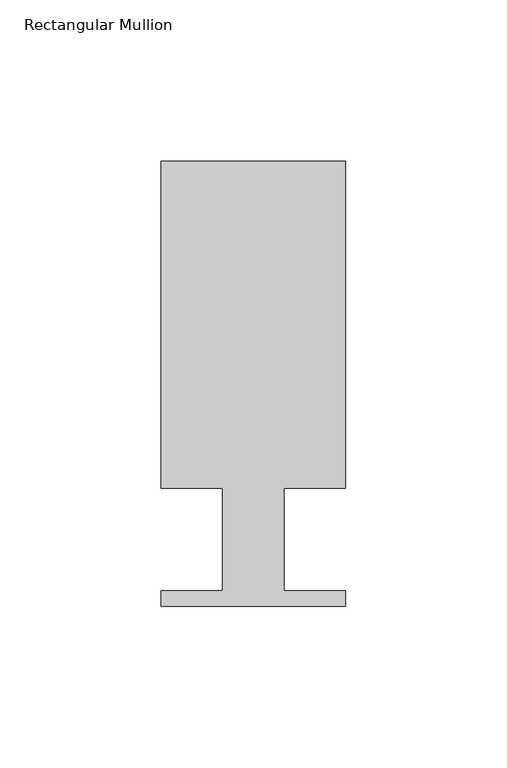
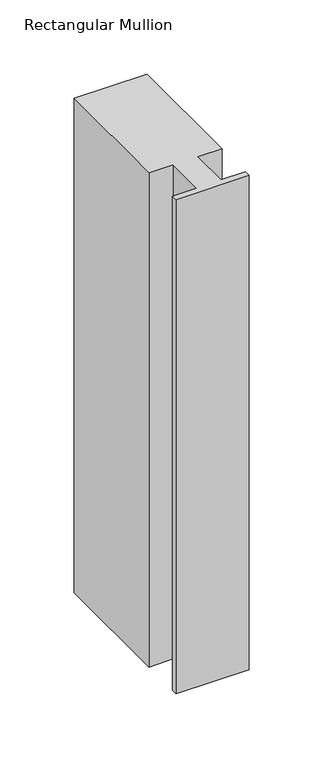
"""IFC4 building model written with IfcOpenShell, lengths in millimetres: member geometry, Rectangular Mullion."""

from ifc_helpers import new_model, si_unit, frame, origin, place, context, project, spatial, polyline, outline, extrude, source, transform, mapped, element, save


def rectangular_mullion_3610dc0c(model_context):
    return source(origin(), model_context, "Body", "SweptSolid", [
        extrude(outline(polyline([(0.0, 138.3268125), (0.0, 37.1078125), (-19.05, 37.1078125), (-19.05, 5.3578125), (0.0, 5.3578125), (0.0, 0.5318125), (-57.15, 0.5318125), (-57.15, 5.3578125), (-38.1, 5.3578125), (-38.1, 37.1078125), (-57.15, 37.1078125), (-57.15, 138.3268125), (0.0, 138.3268125)])), frame((0.0, 0.0, -407.3842453), z_axis=(0.0, 0.0, 1.0), x_axis=(1.0, 0.0, 0.0)), (0.0, 0.0, 1.0), 407.3842453),
    ])


if __name__ == "__main__":
    model = new_model("IFC4")
    model_context = context("Model", 3, world=origin())
    ifc_project = project(units=[si_unit("LENGTHUNIT", "METRE", prefix="MILLI")], contexts=[model_context])
    site = spatial("IfcSite", under=ifc_project)
    building = spatial("IfcBuilding", under=site)
    placement = place(None, origin())
    rectangular_mullion_shape = rectangular_mullion_3610dc0c(model_context)
    element("IfcMember", 1, ObjectType="Rectangular Mullion", at=placement, inside=building, context=model_context, shape_type="MappedRepresentation", body=[
        mapped(rectangular_mullion_shape, transform((0.0, 0.0, 0.0), x_axis=(1.0, 0.0, 0.0), y_axis=(0.0, 1.0, 0.0), z_axis=(0.0, 0.0, 1.0))),
    ])
    save(model, "model.ifc")
